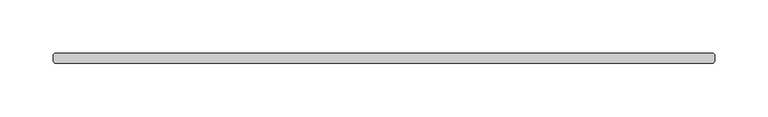
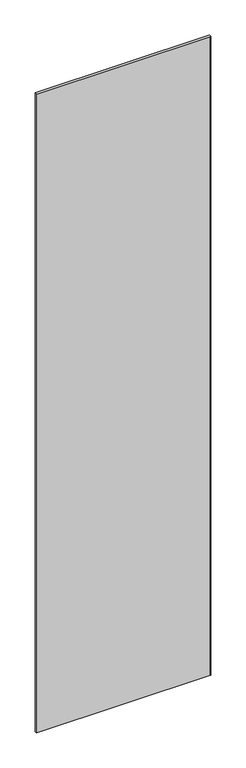
"""IFC4 building model written with IfcOpenShell, lengths in millimetres: plate geometry."""

import ifcopenshell
import ifcopenshell.guid

model = None  # the IFC model being written
_history = None  # IfcOwnerHistory: only IFC2X3 demands one
_inside = {}  # id of a spatial element -> (the spatial element, [elements in it])
_under = {}  # id of a project, library or spatial element -> (it, [spatial elements below it])
_declared = {}  # id of a project -> (the project, [libraries it declares])
_typed = {}  # id of a type object -> (the type object, [elements of that type])
_made_of = {}  # id of a material, layer set ... -> (it, [elements and type objects made of it])


def new_model(schema):
    """Start an empty IFC model of exactly this schema.

    Asked for "IFC4X3", IfcOpenShell would pick the latest addendum, in which some entities
    have other attributes; the version numbers below select the first issue.
    IFC2X3 requires an IfcOwnerHistory on every rooted entity: one is made here for all.
    """
    global model, _history
    if schema == "IFC4X3":
        model = ifcopenshell.file(schema_version=(4, 3, 0, 0))
    else:
        model = ifcopenshell.file(schema=schema)
    _inside.clear()
    _under.clear()
    _declared.clear()
    _typed.clear()
    _made_of.clear()
    _history = None
    if model.schema == "IFC2X3":
        org = make("IfcOrganization", Name="unknown")
        user = make(
            "IfcPersonAndOrganization",
            ThePerson=make("IfcPerson", FamilyName="unknown"),
            TheOrganization=org,
        )
        app = make(
            "IfcApplication",
            ApplicationDeveloper=org,
            Version="unknown",
            ApplicationFullName="unknown",
            ApplicationIdentifier="unknown",
        )
        _history = make(
            "IfcOwnerHistory",
            OwningUser=user,
            OwningApplication=app,
            ChangeAction="ADDED",
            CreationDate=0,
        )
    return model


def make(cls, **values):
    """One entity of the class cls with the attributes given. An attribute that is None is left unset."""
    return model.create_entity(
        cls, **{name: value for name, value in values.items() if value is not None}
    )


def rooted(cls, **values):
    """An entity with a GlobalId (a new one), such as an element, a storey or a relation."""
    return make(cls, GlobalId=ifcopenshell.guid.new(), OwnerHistory=_history, **values)


def si_unit(unit_type, name, prefix=None):
    """IfcSIUnit, for example si_unit("LENGTHUNIT", "METRE", prefix="MILLI")."""
    return make("IfcSIUnit", UnitType=unit_type, Prefix=prefix, Name=name)


def assignment(units):
    """IfcUnitAssignment: the units of a project."""
    return None if units is None else make("IfcUnitAssignment", Units=units)


def point(xyz):
    """IfcCartesianPoint."""
    return None if xyz is None else make("IfcCartesianPoint", Coordinates=xyz)


def direction(xyz):
    """IfcDirection."""
    return None if xyz is None else make("IfcDirection", DirectionRatios=xyz)


def frame(location, z_axis=None, x_axis=None):
    """IfcAxis2Placement3D, a coordinate frame: its origin and axes. An axis left out is left unset."""
    return make(
        "IfcAxis2Placement3D",
        Location=point(location),
        Axis=direction(z_axis),
        RefDirection=direction(x_axis),
    )


def origin():
    """The frame at (0, 0, 0) with its axes left unset."""
    return frame((0.0, 0.0, 0.0))


def origin_with_axes():
    """The frame at (0, 0, 0) with the z axis (0, 0, 1) and the x axis (1, 0, 0) written out."""
    return frame((0.0, 0.0, 0.0), z_axis=(0.0, 0.0, 1.0), x_axis=(1.0, 0.0, 0.0))


def place(relative_to, where):
    """IfcLocalPlacement: puts the frame where relative to a parent placement (None: the world)."""
    return make(
        "IfcLocalPlacement", PlacementRelTo=relative_to, RelativePlacement=where
    )


def context(
    kind, dimensions, precision=None, world=None, true_north=None, identifier=None
):
    """IfcGeometricRepresentationContext, for example the 3D "Model" context."""
    return make(
        "IfcGeometricRepresentationContext",
        ContextIdentifier=identifier,
        ContextType=kind,
        CoordinateSpaceDimension=dimensions,
        Precision=precision,
        WorldCoordinateSystem=world,
        TrueNorth=true_north,
    )


def project(units=None, contexts=None):
    """IfcProject with its units and contexts."""
    return rooted(
        "IfcProject",
        Name="project",
        RepresentationContexts=contexts,
        UnitsInContext=assignment(units),
    )


def spatial(cls, under=None, at=None, **own):
    """A site, building, storey or space (cls), placed at a placement, below another one or the project."""
    s = rooted(cls, ObjectPlacement=at, **own)
    if under is not None:
        _under.setdefault(under.id(), (under, []))[1].append(s)
    return s


def polyline(points):
    """IfcPolyline through the points."""
    return make("IfcPolyline", Points=[point(p) for p in points])


def outline(outer, holes=None, kind="AREA"):
    """IfcArbitraryClosedProfileDef: a profile drawn as a closed curve; with holes, ...WithVoids."""
    if holes is None:
        return make("IfcArbitraryClosedProfileDef", ProfileType=kind, OuterCurve=outer)
    return make(
        "IfcArbitraryProfileDefWithVoids",
        ProfileType=kind,
        OuterCurve=outer,
        InnerCurves=holes,
    )


def extrude(swept, where, along, depth):
    """IfcExtrudedAreaSolid: the profile swept, set in the frame where, extruded along a direction by depth."""
    return make(
        "IfcExtrudedAreaSolid",
        SweptArea=swept,
        Position=where,
        ExtrudedDirection=direction(along),
        Depth=depth,
    )


def shape(context_of_items, identifier, shape_type, items):
    """IfcShapeRepresentation: the items that make up one representation, for example the "Body"."""
    return make(
        "IfcShapeRepresentation",
        ContextOfItems=context_of_items,
        RepresentationIdentifier=identifier,
        RepresentationType=shape_type,
        Items=items,
    )


def source(mapping_origin, context_of_items, identifier, shape_type, items):
    """IfcRepresentationMap: a shape defined once, which mapped items show again and again."""
    return make(
        "IfcRepresentationMap",
        MappingOrigin=mapping_origin,
        MappedRepresentation=shape(context_of_items, identifier, shape_type, items),
    )


def transform(
    local_origin,
    x_axis=None,
    y_axis=None,
    z_axis=None,
    scale=None,
    scale2=None,
    scale3=None,
    uniform=True,
):
    """IfcCartesianTransformationOperator3D, or its non-uniform kind. x_axis, y_axis, z_axis: its Axis1, 2, 3."""
    if uniform:
        return make(
            "IfcCartesianTransformationOperator3D",
            Axis1=direction(x_axis),
            Axis2=direction(y_axis),
            LocalOrigin=point(local_origin),
            Scale=scale,
            Axis3=direction(z_axis),
        )
    return make(
        "IfcCartesianTransformationOperator3DnonUniform",
        Axis1=direction(x_axis),
        Axis2=direction(y_axis),
        LocalOrigin=point(local_origin),
        Scale=scale,
        Axis3=direction(z_axis),
        Scale2=scale2,
        Scale3=scale3,
    )


def mapped(mapping_source, mapping_target):
    """IfcMappedItem: shows the shape of a source again, moved by a transform."""
    return make(
        "IfcMappedItem", MappingSource=mapping_source, MappingTarget=mapping_target
    )


def made_of(thing, what):
    """Note that an element or type object is made of a material, layer set ...; save() writes the relation."""
    if what is not None:
        _made_of.setdefault(what.id(), (what, []))[1].append(thing)
    return thing


def element(
    cls,
    number,
    at=None,
    inside=None,
    cuts=None,
    type_object=None,
    material=None,
    context=None,
    identifier="Body",
    shape_type=None,
    held_by="IfcProductDefinitionShape",
    body=None,
    shapes=None,
    **own,
):
    """One element of the class cls, such as IfcWall. Its Tag is "e" and its number.

    at: its placement. inside: the storey or other place that contains it. cuts: it is an
    opening in that element (IfcRelVoidsElement). A single representation is given by context,
    identifier, shape_type and body (its items); several are given by shapes. held_by: the class
    of the entity that holds the representations. save() writes the other relations.
    """
    e = rooted(cls, Tag="e%d" % number, ObjectPlacement=at, **own)
    if body is not None:
        shapes = [shape(context, identifier, shape_type, body)]
    if shapes is not None:
        e.Representation = make(held_by, Representations=shapes)
    if inside is not None:
        _inside.setdefault(inside.id(), (inside, []))[1].append(e)
    if cuts is not None:
        rooted(
            "IfcRelVoidsElement", RelatingBuildingElement=cuts, RelatedOpeningElement=e
        )
    if type_object is not None:
        _typed.setdefault(type_object.id(), (type_object, []))[1].append(e)
    return made_of(e, material)


def aggregate(whole, parts):
    """IfcRelAggregates: a whole, such as a stair, and the parts it consists of."""
    return rooted("IfcRelAggregates", RelatingObject=whole, RelatedObjects=parts)


def save(model, path):
    """Write the relations noted so far, then the file.

    IfcRelAggregates (storeys below a building ...), IfcRelContainedInSpatialStructure (elements
    in a storey), IfcRelDefinesByType, IfcRelAssociatesMaterial and IfcRelDeclares: one each for
    every whole, place, type object, material and project.
    """
    for whole, parts in _under.values():
        aggregate(whole, parts)
    for where, things in _inside.values():
        rooted(
            "IfcRelContainedInSpatialStructure",
            RelatedElements=things,
            RelatingStructure=where,
        )
    for kind, things in _typed.values():
        rooted("IfcRelDefinesByType", RelatedObjects=things, RelatingType=kind)
    for what, things in _made_of.values():
        rooted("IfcRelAssociatesMaterial", RelatedObjects=things, RelatingMaterial=what)
    for by, libraries in _declared.values():
        rooted("IfcRelDeclares", RelatingContext=by, RelatedDefinitions=libraries)
    model.write(path)


def plate_d11ccf7a(model_context):
    return source(origin(), model_context, "Body", "SweptSolid", [
        extrude(outline(polyline([(310.584375, -34.925), (-310.584375, -34.925), (-312.171875, -33.3375), (-312.171875, -26.9875), (-310.584375, -25.4), (310.584375, -25.4), (312.171875, -26.9875), (312.171875, -33.3375), (310.584375, -34.925)])), origin_with_axes(), (0.0, 0.0, 1.0), 2417.075),
    ])


if __name__ == "__main__":
    model = new_model("IFC4")
    model_context = context("Model", 3, world=origin())
    ifc_project = project(units=[si_unit("LENGTHUNIT", "METRE", prefix="MILLI")], contexts=[model_context])
    site = spatial("IfcSite", under=ifc_project)
    building = spatial("IfcBuilding", under=site)
    placement = place(None, origin())
    plate_shape = plate_d11ccf7a(model_context)
    element("IfcPlate", 1, at=placement, inside=building, context=model_context, shape_type="MappedRepresentation", body=[
        mapped(plate_shape, transform((0.0, 0.0, 0.0), x_axis=(1.0, 0.0, 0.0), y_axis=(0.0, 1.0, 0.0), z_axis=(0.0, 0.0, 1.0))),
    ])
    save(model, "model.ifc")
